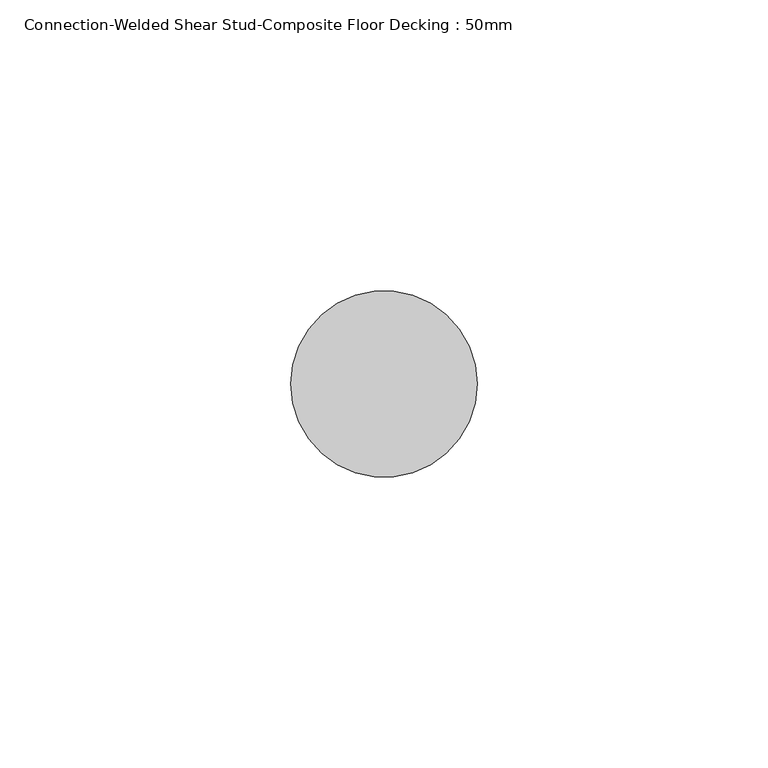
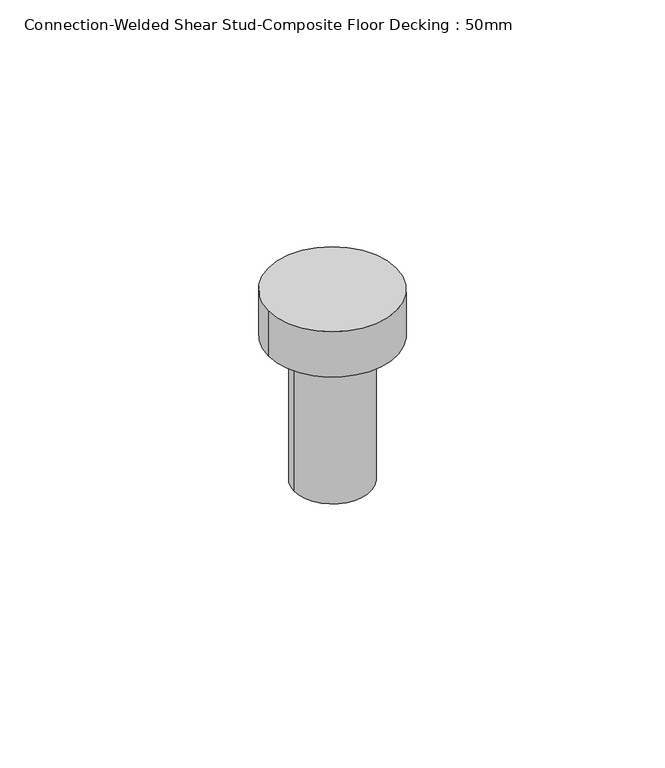
"""IFC4 building model written with IfcOpenShell, lengths in millimetres: fastener geometry, Connection-Welded Shear Stud-Composite Floor Decking : 50mm."""

from ifc_helpers import new_model, si_unit, point, frame, origin, origin_with_axes, origin_2d, place, context, project, spatial, circle_curve, trimmed, segment, composite_curve, outline, extrude, source, transform, mapped, element, save


def connection_welded_shear_stud_composite_floor_decking_50mm_dd0ce717(model_context):
    return source(origin(), model_context, "Body", "SweptSolid", [
        extrude(outline(composite_curve([segment(trimmed(circle_curve(origin_2d(), 16.0), [point((16.0, 0.0))], [point((-16.0, 0.0))], False, "CARTESIAN"), True, "CONTINUOUS"), segment(trimmed(circle_curve(origin_2d(), 16.0), [point((-16.0, 0.0))], [point((16.0, 0.0))], False, "CARTESIAN"), True, "CONTINUOUS")], self_intersect=False)), frame((0.0, 0.0, 38.0), z_axis=(0.0, 0.0, 1.0), x_axis=(1.0, 0.0, 0.0)), (0.0, 0.0, 1.0), 12.0),
        extrude(outline(composite_curve([segment(trimmed(circle_curve(origin_2d(), 9.5), [point((-9.5, 0.0))], [point((9.5, 0.0))], False, "CARTESIAN"), True, "CONTINUOUS"), segment(trimmed(circle_curve(origin_2d(), 9.5), [point((9.5, 0.0))], [point((-9.5, 0.0))], False, "CARTESIAN"), True, "CONTINUOUS")], self_intersect=False)), origin_with_axes(), (0.0, 0.0, 1.0), 38.0),
    ])


if __name__ == "__main__":
    model = new_model("IFC4")
    model_context = context("Model", 3, world=origin())
    ifc_project = project(units=[si_unit("LENGTHUNIT", "METRE", prefix="MILLI")], contexts=[model_context])
    site = spatial("IfcSite", under=ifc_project)
    building = spatial("IfcBuilding", under=site)
    placement = place(None, origin())
    connection_welded_shear_stud_composite_floor_decking_50mm_shape = connection_welded_shear_stud_composite_floor_decking_50mm_dd0ce717(model_context)
    element("IfcFastener", 1, ObjectType="Connection-Welded Shear Stud-Composite Floor Decking : 50mm", at=placement, inside=building, context=model_context, shape_type="MappedRepresentation", body=[
        mapped(connection_welded_shear_stud_composite_floor_decking_50mm_shape, transform((0.0, 0.0, 0.0), x_axis=(1.0, 0.0, 0.0), y_axis=(0.0, 1.0, 0.0), z_axis=(0.0, 0.0, 1.0))),
    ])
    save(model, "model.ifc")
